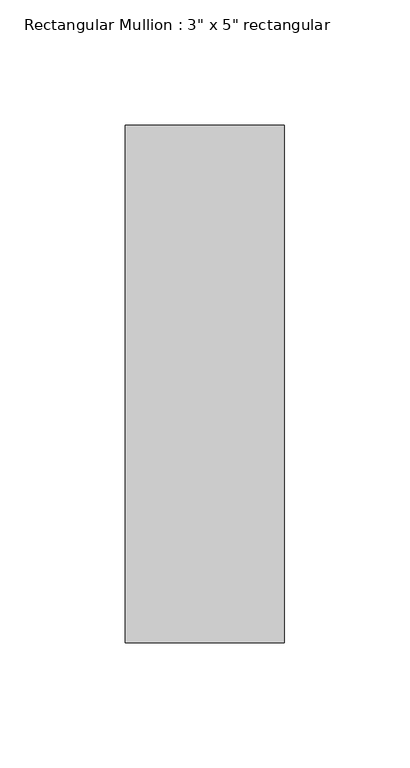
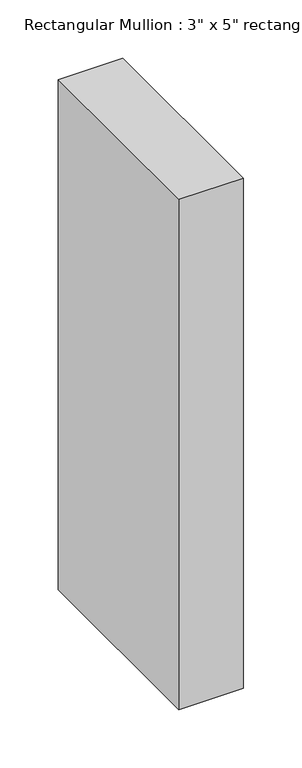
"""IFC4 building model written with IfcOpenShell, lengths in millimetres: member geometry."""

from ifc_helpers import new_model, si_unit, frame, origin, place, context, project, spatial, polyline, outline, extrude, source, transform, mapped, element, save


def member_12c9c31b(model_context):
    return source(origin(), model_context, "Body", "SweptSolid", [
        extrude(outline(polyline([(31.75, 90.551), (31.75, -115.951), (-31.75, -115.951), (-31.75, 90.551), (31.75, 90.551)])), frame((0.0, 0.0, -533.4), z_axis=(0.0, 0.0, 1.0), x_axis=(1.0, 0.0, 0.0)), (0.0, 0.0, 1.0), 533.4),
    ])


if __name__ == "__main__":
    model = new_model("IFC4")
    model_context = context("Model", 3, world=origin())
    ifc_project = project(units=[si_unit("LENGTHUNIT", "METRE", prefix="MILLI")], contexts=[model_context])
    site = spatial("IfcSite", under=ifc_project)
    building = spatial("IfcBuilding", under=site)
    placement = place(None, origin())
    member_shape = member_12c9c31b(model_context)
    element("IfcMember", 1, ObjectType="Rectangular Mullion : 3\" x 5\" rectangular", at=placement, inside=building, context=model_context, shape_type="MappedRepresentation", body=[
        mapped(member_shape, transform((0.0, 0.0, 0.0), x_axis=(1.0, 0.0, 0.0), y_axis=(0.0, 1.0, 0.0), z_axis=(0.0, 0.0, 1.0))),
    ])
    save(model, "model.ifc")
